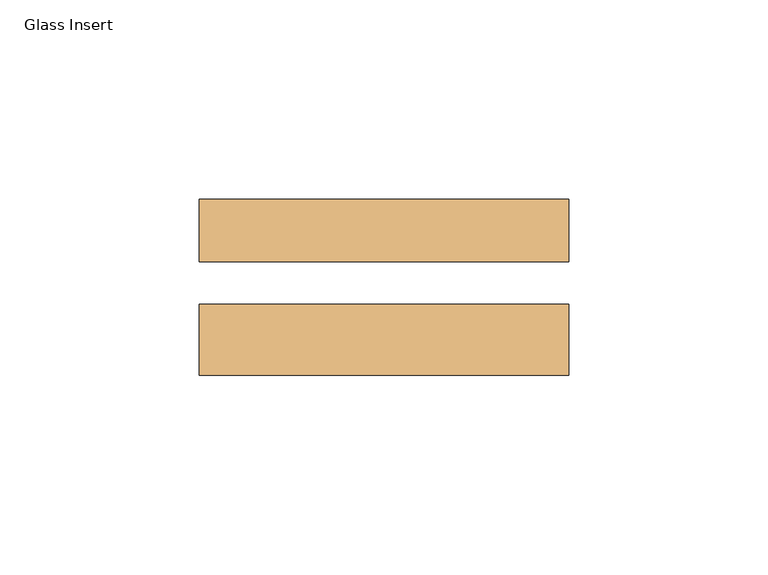
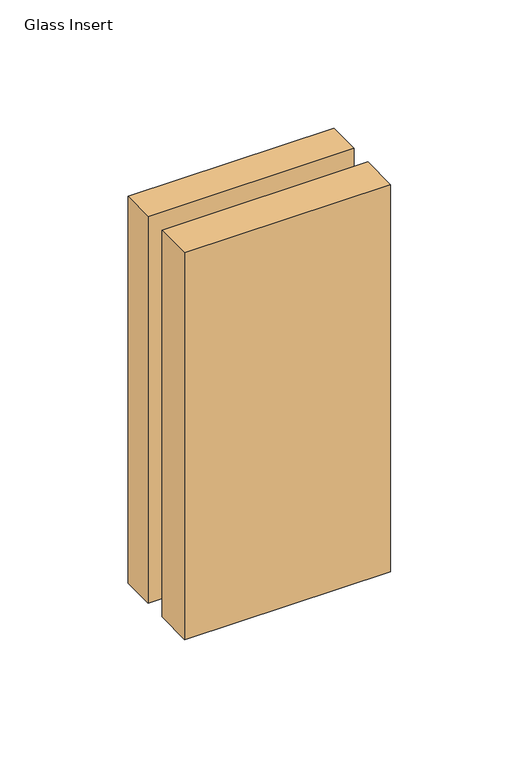
"""IFC4 building model written with IfcOpenShell, lengths in millimetres: door geometry, Glass Insert."""

from ifc_helpers import new_model, si_unit, frame, origin, place, context, project, spatial, polyline, outline, extrude, source, transform, mapped, element, save


def glass_insert_bf704de9(model_context):
    return source(origin(), model_context, "Body", "SweptSolid", [
        extrude(outline(polyline([(-453.9952344, -31.4313545), (-361.2852344, -31.4313545), (-361.2852344, -49.2748545), (-453.9952344, -49.2748545), (-453.9952344, -31.4313545)])), frame((0.0, 0.0, 906.5514), z_axis=(0.0, 0.0, 1.0), x_axis=(1.0, 0.0, 0.0)), (0.0, 0.0, 1.0), 184.15),
        extrude(outline(polyline([(-453.9952344, -5.1042545), (-361.2852344, -5.1042545), (-361.2852344, -20.8268545), (-453.9952344, -20.8268545), (-453.9952344, -5.1042545)])), frame((0.0, 0.0, 906.5514), z_axis=(0.0, 0.0, 1.0), x_axis=(1.0, 0.0, 0.0)), (0.0, 0.0, 1.0), 184.15),
    ])


if __name__ == "__main__":
    model = new_model("IFC4")
    model_context = context("Model", 3, world=origin())
    ifc_project = project(units=[si_unit("LENGTHUNIT", "METRE", prefix="MILLI")], contexts=[model_context])
    site = spatial("IfcSite", under=ifc_project)
    building = spatial("IfcBuilding", under=site)
    placement = place(None, origin())
    glass_insert_shape = glass_insert_bf704de9(model_context)
    element("IfcDoor", 1, ObjectType="Glass Insert", at=placement, inside=building, context=model_context, shape_type="MappedRepresentation", body=[
        mapped(glass_insert_shape, transform((0.0, 0.0, 0.0), x_axis=(1.0, 0.0, 0.0), y_axis=(0.0, 1.0, 0.0), z_axis=(0.0, 0.0, 1.0))),
    ])
    save(model, "model.ifc")
